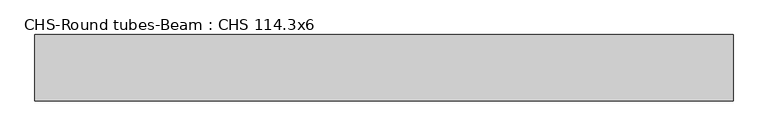
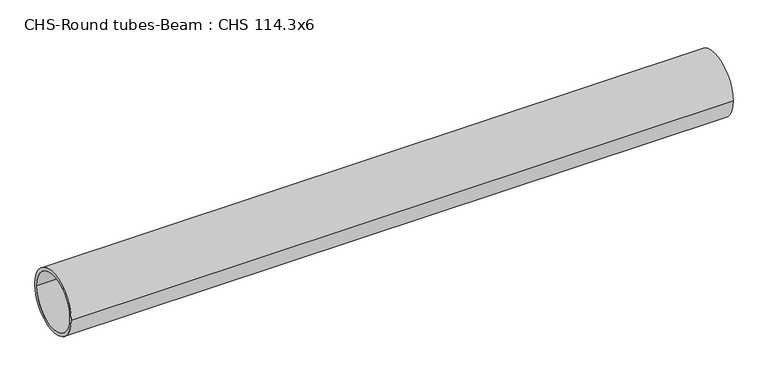
"""IFC4 building model written with IfcOpenShell, lengths in millimetres: beam geometry, CHS-Round tubes-Beam : CHS 114.3x6."""

from ifc_helpers import new_model, si_unit, point, frame, origin, origin_2d, place, context, project, spatial, circle_curve, trimmed, segment, composite_curve, outline, extrude, source, transform, mapped, element, save


def chs_round_tubes_beam_chs_114_3x6_3530ce5c(model_context):
    return source(origin(), model_context, "Body", "SweptSolid", [
        extrude(outline(composite_curve([segment(trimmed(circle_curve(origin_2d(), 57.15), [point((57.15, 0.0))], [point((-57.15, 0.0))], False, "CARTESIAN"), True, "CONTINUOUS"), segment(trimmed(circle_curve(origin_2d(), 57.15), [point((-57.15, 0.0))], [point((57.15, 0.0))], False, "CARTESIAN"), True, "CONTINUOUS")], self_intersect=False), holes=[composite_curve([segment(trimmed(circle_curve(origin_2d(), 51.15), [point((51.15, 0.0))], [point((-51.15, 0.0))], True, "CARTESIAN"), True, "CONTINUOUS"), segment(trimmed(circle_curve(origin_2d(), 51.15), [point((-51.15, 0.0))], [point((51.15, 0.0))], True, "CARTESIAN"), True, "CONTINUOUS")], self_intersect=False)]), frame((-487.0600726, 0.0, 0.0), z_axis=(1.0, 0.0, 0.0), x_axis=(0.0, 1.0, 0.0)), (0.0, 0.0, 1.0), 1198.6244332),
    ])


if __name__ == "__main__":
    model = new_model("IFC4")
    model_context = context("Model", 3, world=origin())
    ifc_project = project(units=[si_unit("LENGTHUNIT", "METRE", prefix="MILLI")], contexts=[model_context])
    site = spatial("IfcSite", under=ifc_project)
    building = spatial("IfcBuilding", under=site)
    placement = place(None, origin())
    chs_round_tubes_beam_chs_114_3x6_shape = chs_round_tubes_beam_chs_114_3x6_3530ce5c(model_context)
    element("IfcBeam", 1, ObjectType="CHS-Round tubes-Beam : CHS 114.3x6", at=placement, inside=building, context=model_context, shape_type="MappedRepresentation", body=[
        mapped(chs_round_tubes_beam_chs_114_3x6_shape, transform((0.0, 0.0, 0.0), x_axis=(1.0, 0.0, 0.0), y_axis=(0.0, 1.0, 0.0), z_axis=(0.0, 0.0, 1.0))),
    ])
    save(model, "model.ifc")
